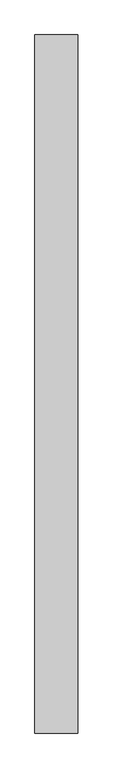
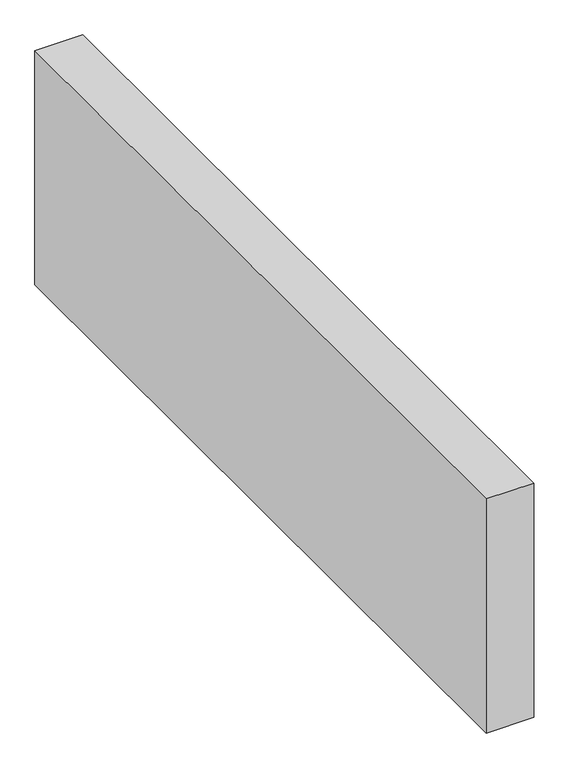
"""IFC4 building model written with IfcOpenShell, lengths in millimetres: proxy geometry."""

from ifc_helpers import new_model, si_unit, origin, origin_with_axes, place, context, project, spatial, polyline, outline, extrude, source, transform, mapped, element, save


def generic_models_d5f5417d(model_context):
    return source(origin(), model_context, "Body", "SweptSolid", [
        extrude(outline(polyline([(150.0, 2452.271254), (150.0, 0.0), (0.0, 0.0), (0.0, 2452.271254), (150.0, 2452.271254)])), origin_with_axes(), (0.0, 0.0, 1.0), 776.6553396),
    ])


if __name__ == "__main__":
    model = new_model("IFC4")
    model_context = context("Model", 3, world=origin())
    ifc_project = project(units=[si_unit("LENGTHUNIT", "METRE", prefix="MILLI")], contexts=[model_context])
    site = spatial("IfcSite", under=ifc_project)
    building = spatial("IfcBuilding", under=site)
    placement = place(None, origin())
    generic_models_shape = generic_models_d5f5417d(model_context)
    element("IfcBuildingElementProxy", 1, Name="Generic Models", at=placement, inside=building, context=model_context, shape_type="MappedRepresentation", body=[
        mapped(generic_models_shape, transform((0.0, 0.0, 0.0), x_axis=(1.0, 0.0, 0.0), y_axis=(0.0, 1.0, 0.0), z_axis=(0.0, 0.0, 1.0))),
    ])
    save(model, "model.ifc")
